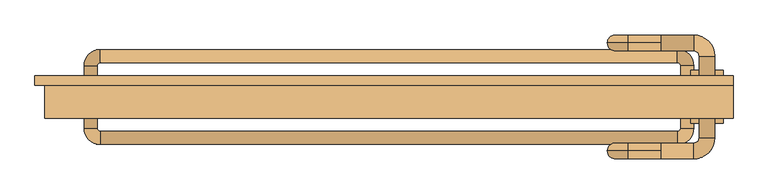
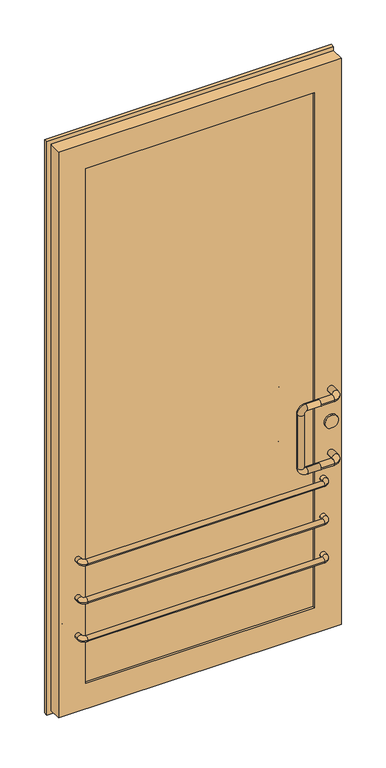
"""IFC4 building model written with IfcOpenShell, lengths in millimetres: door geometry."""

from ifc_helpers import new_model, si_unit, point, frame, frame_2d, origin, place, context, project, spatial, polyline, circle_curve, ellipse_curve, trimmed, segment, composite_curve, outline, extrude, faceted_brep, source, transform, mapped, element, save
from ifc_brep_helpers import cylinder_surface, revolved_surface, advanced_brep


def door_71609f88(model_context):
    return source(origin(), model_context, "Body", "SolidModel", [
        faceted_brep([(-100.0, 47.5, 160.0), (-951.3125, 47.5, 160.0), (-951.3125, -17.5, 160.0), (-100.0, -17.5, 160.0), (-1066.3125, 47.5, 45.0), (0.0, 47.5, 45.0), (0.0, 32.5, 45.0), (-1066.3125, 32.5, 45.0), (0.0, -17.5, 60.0), (-1051.3125, -17.5, 60.0), (-1051.3125, 32.5, 60.0), (0.0, 32.5, 60.0), (-951.3125, 47.5, 2183.8125), (-951.3125, -17.5, 2183.8125), (-1066.3125, 32.5, 2298.8125), (-1066.3125, 47.5, 2298.8125), (-1051.3125, -17.5, 2283.8125), (-1051.3125, 32.5, 2283.8125), (-100.0, 47.5, 2183.8125), (-100.0, -17.5, 2183.8125), (0.0, 32.5, 2298.8125), (0.0, 47.5, 2298.8125), (0.0, -17.5, 2283.8125), (0.0, 32.5, 2283.8125)], [[[0, 1, 2, 3]], [[4, 5, 6, 7]], [[8, 9, 10, 11]], [[1, 12, 13, 2]], [[7, 14, 15, 4]], [[9, 16, 17, 10]], [[12, 18, 19, 13]], [[14, 20, 21, 15]], [[16, 22, 23, 17]], [[3, 19, 18, 0]], [[15, 21, 5, 4], [0, 18, 12, 1]], [[10, 17, 23, 20, 14, 7, 6, 11]], [[11, 6, 5, 21, 20, 23, 22, 8]], [[8, 22, 16, 9], [2, 13, 19, 3]]]),
        advanced_brep(
        [(-60.0, -32.5, 360.0), (-60.0, 62.5, 360.0), (-80.0, 62.5, 360.0), (-80.0, -32.5, 360.0), (-85.0, 87.5, 360.0), (-85.0, 67.5, 360.0), (-966.3125, 87.5, 360.0), (-966.3125, 67.5, 360.0), (-991.3125, 62.5, 360.0), (-971.3125, 62.5, 360.0), (-991.3125, -32.5, 360.0), (-971.3125, -32.5, 360.0), (-966.3125, -57.5, 360.0), (-966.3125, -37.5, 360.0), (-85.0, -57.5, 360.0), (-85.0, -37.5, 360.0)],
        [
            (0, 1),
            (1, 2, circle_curve(frame((-70.0, 62.5, 360.0), z_axis=(0.0, -1.0, 0.0), x_axis=(1.0, 0.0, 0.0)), 10.0)),
            (2, 3),
            (3, 0, circle_curve(frame((-70.0, -32.5, 360.0), z_axis=(0.0, 1.0, 0.0), x_axis=(1.0, 0.0, 0.0)), 10.0)),
            (2, 1, circle_curve(frame((-70.0, 62.5, 360.0), z_axis=(0.0, -1.0, 0.0), x_axis=(1.0, 0.0, 0.0)), 10.0)),
            (0, 3, circle_curve(frame((-70.0, -32.5, 360.0), z_axis=(0.0, 1.0, 0.0), x_axis=(1.0, 0.0, 0.0)), 10.0)),
            (4, 5, circle_curve(frame((-85.0, 77.5, 360.0), z_axis=(1.0, 0.0, 0.0), x_axis=(0.0, 1.0, 0.0)), 10.0)),
            (5, 2, circle_curve(frame((-85.0, 62.5, 360.0), z_axis=(0.0, 0.0, -1.0), x_axis=(1.0, 0.0, 0.0)), 5.0)),
            (1, 4, circle_curve(frame((-85.0, 62.5, 360.0), z_axis=(0.0, 0.0, 1.0), x_axis=(1.0, 0.0, 0.0)), 25.0)),
            (5, 4, circle_curve(frame((-85.0, 77.5, 360.0), z_axis=(1.0, 0.0, 0.0), x_axis=(0.0, 1.0, 0.0)), 10.0)),
            (4, 6),
            (6, 7, circle_curve(frame((-966.3125, 77.5, 360.0), z_axis=(1.0, 0.0, 0.0), x_axis=(0.0, 1.0, 0.0)), 10.0)),
            (7, 5),
            (7, 6, circle_curve(frame((-966.3125, 77.5, 360.0), z_axis=(1.0, 0.0, 0.0), x_axis=(0.0, 1.0, 0.0)), 10.0)),
            (8, 9, circle_curve(frame((-981.3125, 62.5, 360.0), z_axis=(0.0, 1.0, 0.0), x_axis=(-1.0, 0.0, 0.0)), 10.0)),
            (9, 7, circle_curve(frame((-966.3125, 62.5, 360.0), z_axis=(0.0, 0.0, -1.0), x_axis=(0.0, 1.0, 0.0)), 5.0)),
            (6, 8, circle_curve(frame((-966.3125, 62.5, 360.0), z_axis=(0.0, 0.0, 1.0), x_axis=(0.0, 1.0, 0.0)), 25.0)),
            (9, 8, circle_curve(frame((-981.3125, 62.5, 360.0), z_axis=(0.0, 1.0, 0.0), x_axis=(-1.0, 0.0, 0.0)), 10.0)),
            (8, 10),
            (10, 11, circle_curve(frame((-981.3125, -32.5, 360.0), z_axis=(0.0, 1.0, 0.0), x_axis=(-1.0, 0.0, 0.0)), 10.0)),
            (11, 9),
            (11, 10, circle_curve(frame((-981.3125, -32.5, 360.0), z_axis=(0.0, 1.0, 0.0), x_axis=(-1.0, 0.0, 0.0)), 10.0)),
            (12, 13, circle_curve(frame((-966.3125, -47.5, 360.0), z_axis=(-1.0, 0.0, 0.0), x_axis=(0.0, -1.0, 0.0)), 10.0)),
            (13, 11, circle_curve(frame((-966.3125, -32.5, 360.0), z_axis=(0.0, 0.0, -1.0), x_axis=(-1.0, 0.0, 0.0)), 5.0)),
            (10, 12, circle_curve(frame((-966.3125, -32.5, 360.0), z_axis=(0.0, 0.0, 1.0), x_axis=(-1.0, 0.0, 0.0)), 25.0)),
            (13, 12, circle_curve(frame((-966.3125, -47.5, 360.0), z_axis=(-1.0, 0.0, 0.0), x_axis=(0.0, -1.0, 0.0)), 10.0)),
            (12, 14),
            (14, 15, circle_curve(frame((-85.0, -47.5, 360.0), z_axis=(-1.0, 0.0, 0.0), x_axis=(0.0, -1.0, 0.0)), 10.0)),
            (15, 13),
            (15, 14, circle_curve(frame((-85.0, -47.5, 360.0), z_axis=(-1.0, 0.0, 0.0), x_axis=(0.0, -1.0, 0.0)), 10.0)),
            (3, 15, circle_curve(frame((-85.0, -32.5, 360.0), z_axis=(0.0, 0.0, -1.0), x_axis=(0.0, -1.0, 0.0)), 5.0)),
            (14, 0, circle_curve(frame((-85.0, -32.5, 360.0), z_axis=(0.0, 0.0, 1.0), x_axis=(0.0, -1.0, 0.0)), 25.0)),
        ],
        [
            cylinder_surface(frame((-70.0, -32.5, 360.0), z_axis=(0.0, -1.0, 0.0), x_axis=(1.0, 0.0, 0.0)), 10.0),
            revolved_surface(trimmed(ellipse_curve(frame((-70.0, 62.5, 360.0), z_axis=(0.0, 1.0, 0.0), x_axis=(1.0, 0.0, 0.0)), 10.0, 10.0), [point((-80.0, 62.5, 360.0))], [point((-60.0, 62.5, 360.0))], True, "CARTESIAN"), (-85.0, 62.5, 360.0), (0.0, 0.0, -1.0)),
            revolved_surface(trimmed(ellipse_curve(frame((-70.0, 62.5, 360.0), z_axis=(0.0, 1.0, 0.0), x_axis=(1.0, 0.0, 0.0)), 10.0, 10.0), [point((-60.0, 62.5, 360.0))], [point((-80.0, 62.5, 360.0))], True, "CARTESIAN"), (-85.0, 62.5, 360.0), (0.0, 0.0, -1.0)),
            cylinder_surface(frame((-85.0, 77.5, 360.0), z_axis=(1.0, 0.0, 0.0), x_axis=(0.0, 1.0, 0.0)), 10.0),
            revolved_surface(trimmed(ellipse_curve(frame((-966.3125, 77.5, 360.0), z_axis=(-1.0, 0.0, 0.0), x_axis=(0.0, 1.0, 0.0)), 10.0, 10.0), [point((-966.3125, 67.5, 360.0))], [point((-966.3125, 87.5, 360.0))], True, "CARTESIAN"), (-966.3125, 62.5, 360.0), (0.0, 0.0, -1.0)),
            revolved_surface(trimmed(ellipse_curve(frame((-966.3125, 77.5, 360.0), z_axis=(-1.0, 0.0, 0.0), x_axis=(0.0, 1.0, 0.0)), 10.0, 10.0), [point((-966.3125, 87.5, 360.0))], [point((-966.3125, 67.5, 360.0))], True, "CARTESIAN"), (-966.3125, 62.5, 360.0), (0.0, 0.0, -1.0)),
            cylinder_surface(frame((-981.3125, 62.5, 360.0), z_axis=(0.0, 1.0, 0.0), x_axis=(-1.0, 0.0, 0.0)), 10.0),
            revolved_surface(trimmed(ellipse_curve(frame((-981.3125, -32.5, 360.0), z_axis=(0.0, -1.0, 0.0), x_axis=(-1.0, 0.0, 0.0)), 10.0, 10.0), [point((-971.3125, -32.5, 360.0))], [point((-991.3125, -32.5, 360.0))], True, "CARTESIAN"), (-966.3125, -32.5, 360.0), (0.0, 0.0, -1.0)),
            revolved_surface(trimmed(ellipse_curve(frame((-981.3125, -32.5, 360.0), z_axis=(0.0, -1.0, 0.0), x_axis=(-1.0, 0.0, 0.0)), 10.0, 10.0), [point((-991.3125, -32.5, 360.0))], [point((-971.3125, -32.5, 360.0))], True, "CARTESIAN"), (-966.3125, -32.5, 360.0), (0.0, 0.0, -1.0)),
            cylinder_surface(frame((-966.3125, -47.5, 360.0), z_axis=(-1.0, 0.0, 0.0), x_axis=(0.0, -1.0, 0.0)), 10.0),
            revolved_surface(trimmed(ellipse_curve(frame((-85.0, -47.5, 360.0), z_axis=(1.0, 0.0, 0.0), x_axis=(0.0, -1.0, 0.0)), 10.0, 10.0), [point((-85.0, -37.5, 360.0))], [point((-85.0, -57.5, 360.0))], True, "CARTESIAN"), (-85.0, -32.5, 360.0), (0.0, 0.0, -1.0)),
            revolved_surface(trimmed(ellipse_curve(frame((-85.0, -47.5, 360.0), z_axis=(1.0, 0.0, 0.0), x_axis=(0.0, -1.0, 0.0)), 10.0, 10.0), [point((-85.0, -57.5, 360.0))], [point((-85.0, -37.5, 360.0))], True, "CARTESIAN"), (-85.0, -32.5, 360.0), (0.0, 0.0, -1.0)),
        ],
        [
            (0, [[1, 2, 3, 4]]),
            (0, [[-3, 5, -1, 6]]),
            (1, [[7, 8, -2, 9]]),
            (2, [[10, -9, -5, -8]]),
            (3, [[11, 12, 13, -7]]),
            (3, [[-13, 14, -11, -10]]),
            (4, [[15, 16, -12, 17]]),
            (5, [[18, -17, -14, -16]]),
            (6, [[19, 20, 21, -15]]),
            (6, [[-21, 22, -19, -18]]),
            (7, [[23, 24, -20, 25]]),
            (8, [[26, -25, -22, -24]]),
            (9, [[27, 28, 29, -23]]),
            (9, [[-29, 30, -27, -26]]),
            (10, [[-4, 31, -28, 32]]),
            (11, [[-6, -32, -30, -31]]),
        ],
    ),
        advanced_brep(
        [(-60.0, -32.5, 510.0), (-60.0, 62.5, 510.0), (-80.0, 62.5, 510.0), (-80.0, -32.5, 510.0), (-85.0, 87.5, 510.0), (-85.0, 67.5, 510.0), (-966.3125, 87.5, 510.0), (-966.3125, 67.5, 510.0), (-991.3125, 62.5, 510.0), (-971.3125, 62.5, 510.0), (-991.3125, -32.5, 510.0), (-971.3125, -32.5, 510.0), (-966.3125, -57.5, 510.0), (-966.3125, -37.5, 510.0), (-85.0, -57.5, 510.0), (-85.0, -37.5, 510.0)],
        [
            (0, 1),
            (1, 2, circle_curve(frame((-70.0, 62.5, 510.0), z_axis=(0.0, -1.0, 0.0), x_axis=(1.0, 0.0, 0.0)), 10.0)),
            (2, 3),
            (3, 0, circle_curve(frame((-70.0, -32.5, 510.0), z_axis=(0.0, 1.0, 0.0), x_axis=(1.0, 0.0, 0.0)), 10.0)),
            (2, 1, circle_curve(frame((-70.0, 62.5, 510.0), z_axis=(0.0, -1.0, 0.0), x_axis=(1.0, 0.0, 0.0)), 10.0)),
            (0, 3, circle_curve(frame((-70.0, -32.5, 510.0), z_axis=(0.0, 1.0, 0.0), x_axis=(1.0, 0.0, 0.0)), 10.0)),
            (4, 5, circle_curve(frame((-85.0, 77.5, 510.0), z_axis=(1.0, 0.0, 0.0), x_axis=(0.0, 1.0, 0.0)), 10.0)),
            (5, 2, circle_curve(frame((-85.0, 62.5, 510.0), z_axis=(0.0, 0.0, -1.0), x_axis=(1.0, 0.0, 0.0)), 5.0)),
            (1, 4, circle_curve(frame((-85.0, 62.5, 510.0), z_axis=(0.0, 0.0, 1.0), x_axis=(1.0, 0.0, 0.0)), 25.0)),
            (5, 4, circle_curve(frame((-85.0, 77.5, 510.0), z_axis=(1.0, 0.0, 0.0), x_axis=(0.0, 1.0, 0.0)), 10.0)),
            (4, 6),
            (6, 7, circle_curve(frame((-966.3125, 77.5, 510.0), z_axis=(1.0, 0.0, 0.0), x_axis=(0.0, 1.0, 0.0)), 10.0)),
            (7, 5),
            (7, 6, circle_curve(frame((-966.3125, 77.5, 510.0), z_axis=(1.0, 0.0, 0.0), x_axis=(0.0, 1.0, 0.0)), 10.0)),
            (8, 9, circle_curve(frame((-981.3125, 62.5, 510.0), z_axis=(0.0, 1.0, 0.0), x_axis=(-1.0, 0.0, 0.0)), 10.0)),
            (9, 7, circle_curve(frame((-966.3125, 62.5, 510.0), z_axis=(0.0, 0.0, -1.0), x_axis=(0.0, 1.0, 0.0)), 5.0)),
            (6, 8, circle_curve(frame((-966.3125, 62.5, 510.0), z_axis=(0.0, 0.0, 1.0), x_axis=(0.0, 1.0, 0.0)), 25.0)),
            (9, 8, circle_curve(frame((-981.3125, 62.5, 510.0), z_axis=(0.0, 1.0, 0.0), x_axis=(-1.0, 0.0, 0.0)), 10.0)),
            (8, 10),
            (10, 11, circle_curve(frame((-981.3125, -32.5, 510.0), z_axis=(0.0, 1.0, 0.0), x_axis=(-1.0, 0.0, 0.0)), 10.0)),
            (11, 9),
            (11, 10, circle_curve(frame((-981.3125, -32.5, 510.0), z_axis=(0.0, 1.0, 0.0), x_axis=(-1.0, 0.0, 0.0)), 10.0)),
            (12, 13, circle_curve(frame((-966.3125, -47.5, 510.0), z_axis=(-1.0, 0.0, 0.0), x_axis=(0.0, -1.0, 0.0)), 10.0)),
            (13, 11, circle_curve(frame((-966.3125, -32.5, 510.0), z_axis=(0.0, 0.0, -1.0), x_axis=(-1.0, 1.264444445123043e-12, 0.0)), 5.0)),
            (10, 12, circle_curve(frame((-966.3125, -32.5, 510.0), z_axis=(0.0, 0.0, 1.0), x_axis=(-1.0, 1.264444445123043e-12, 0.0)), 25.0)),
            (13, 12, circle_curve(frame((-966.3125, -47.5, 510.0), z_axis=(-1.0, 0.0, 0.0), x_axis=(0.0, -1.0, 0.0)), 10.0)),
            (12, 14),
            (14, 15, circle_curve(frame((-85.0, -47.5, 510.0), z_axis=(-1.0, 0.0, 0.0), x_axis=(0.0, -1.0, 0.0)), 10.0)),
            (15, 13),
            (15, 14, circle_curve(frame((-85.0, -47.5, 510.0), z_axis=(-1.0, 0.0, 0.0), x_axis=(0.0, -1.0, 0.0)), 10.0)),
            (3, 15, circle_curve(frame((-85.0, -32.5, 510.0), z_axis=(0.0, 0.0, -1.0), x_axis=(0.0, -1.0, 0.0)), 5.0)),
            (14, 0, circle_curve(frame((-85.0, -32.5, 510.0), z_axis=(0.0, 0.0, 1.0), x_axis=(0.0, -1.0, 0.0)), 25.0)),
        ],
        [
            cylinder_surface(frame((-70.0, -32.5, 510.0), z_axis=(0.0, -1.0, 0.0), x_axis=(1.0, 0.0, 0.0)), 10.0),
            revolved_surface(trimmed(ellipse_curve(frame((-70.0, 62.5, 510.0), z_axis=(0.0, 1.0, 0.0), x_axis=(1.0, 0.0, 0.0)), 10.0, 10.0), [point((-80.0, 62.5, 510.0))], [point((-60.0, 62.5, 510.0))], True, "CARTESIAN"), (-85.0, 62.5, 510.0), (0.0, 0.0, -1.0)),
            revolved_surface(trimmed(ellipse_curve(frame((-70.0, 62.5, 510.0), z_axis=(0.0, 1.0, 0.0), x_axis=(1.0, 0.0, 0.0)), 10.0, 10.0), [point((-60.0, 62.5, 510.0))], [point((-80.0, 62.5, 510.0))], True, "CARTESIAN"), (-85.0, 62.5, 510.0), (0.0, 0.0, -1.0)),
            cylinder_surface(frame((-85.0, 77.5, 510.0), z_axis=(1.0, 0.0, 0.0), x_axis=(0.0, 1.0, 0.0)), 10.0),
            revolved_surface(trimmed(ellipse_curve(frame((-966.3125, 77.5, 510.0), z_axis=(-1.0, 0.0, 0.0), x_axis=(0.0, 1.0, 0.0)), 10.0, 10.0), [point((-966.3125, 67.5, 510.0))], [point((-966.3125, 87.5, 510.0))], True, "CARTESIAN"), (-966.3125, 62.5, 510.0), (0.0, 0.0, -1.0)),
            revolved_surface(trimmed(ellipse_curve(frame((-966.3125, 77.5, 510.0), z_axis=(-1.0, 0.0, 0.0), x_axis=(0.0, 1.0, 0.0)), 10.0, 10.0), [point((-966.3125, 87.5, 510.0))], [point((-966.3125, 67.5, 510.0))], True, "CARTESIAN"), (-966.3125, 62.5, 510.0), (0.0, 0.0, -1.0)),
            cylinder_surface(frame((-981.3125, 62.5, 510.0), z_axis=(0.0, 1.0, 0.0), x_axis=(-1.0, 0.0, 0.0)), 10.0),
            revolved_surface(trimmed(ellipse_curve(frame((-981.3125, -32.5, 510.0), z_axis=(-1.2644444451230432e-12, -1.0, 0.0), x_axis=(-1.0, 1.2644444451230432e-12, 0.0)), 10.0, 10.0), [point((-971.3125, -32.5, 510.0))], [point((-991.3125, -32.5, 510.0))], True, "CARTESIAN"), (-966.3125, -32.5, 510.0), (0.0, 0.0, -1.0)),
            revolved_surface(trimmed(ellipse_curve(frame((-981.3125, -32.5, 510.0), z_axis=(-1.2644444451230432e-12, -1.0, 0.0), x_axis=(-1.0, 1.2644444451230432e-12, 0.0)), 10.0, 10.0), [point((-991.3125, -32.5, 510.0))], [point((-971.3125, -32.5, 510.0))], True, "CARTESIAN"), (-966.3125, -32.5, 510.0), (0.0, 0.0, -1.0)),
            cylinder_surface(frame((-966.3125, -47.5, 510.0), z_axis=(-1.0, 0.0, 0.0), x_axis=(0.0, -1.0, 0.0)), 10.0),
            revolved_surface(trimmed(ellipse_curve(frame((-85.0, -47.5, 510.0), z_axis=(1.0, 0.0, 0.0), x_axis=(0.0, -1.0, 0.0)), 10.0, 10.0), [point((-85.0, -37.5, 510.0))], [point((-85.0, -57.5, 510.0))], True, "CARTESIAN"), (-85.0, -32.5, 510.0), (0.0, 0.0, -1.0)),
            revolved_surface(trimmed(ellipse_curve(frame((-85.0, -47.5, 510.0), z_axis=(1.0, 0.0, 0.0), x_axis=(0.0, -1.0, 0.0)), 10.0, 10.0), [point((-85.0, -57.5, 510.0))], [point((-85.0, -37.5, 510.0))], True, "CARTESIAN"), (-85.0, -32.5, 510.0), (0.0, 0.0, -1.0)),
        ],
        [
            (0, [[1, 2, 3, 4]]),
            (0, [[-3, 5, -1, 6]]),
            (1, [[7, 8, -2, 9]]),
            (2, [[10, -9, -5, -8]]),
            (3, [[11, 12, 13, -7]]),
            (3, [[-13, 14, -11, -10]]),
            (4, [[15, 16, -12, 17]]),
            (5, [[18, -17, -14, -16]]),
            (6, [[19, 20, 21, -15]]),
            (6, [[-21, 22, -19, -18]]),
            (7, [[23, 24, -20, 25]]),
            (8, [[26, -25, -22, -24]]),
            (9, [[27, 28, 29, -23]]),
            (9, [[-29, 30, -27, -26]]),
            (10, [[-4, 31, -28, 32]]),
            (11, [[-6, -32, -30, -31]]),
        ],
    ),
        advanced_brep(
        [(-60.0, -32.5, 660.0), (-60.0, 62.5, 660.0), (-80.0, 62.5, 660.0), (-80.0, -32.5, 660.0), (-85.0, 87.5, 660.0), (-85.0, 67.5, 660.0), (-966.3125, 87.5, 660.0), (-966.3125, 67.5, 660.0), (-991.3125, 62.5, 660.0), (-971.3125, 62.5, 660.0), (-991.3125, -32.5, 660.0), (-971.3125, -32.5, 660.0), (-966.3125, -57.5, 660.0), (-966.3125, -37.5, 660.0), (-85.0, -57.5, 660.0), (-85.0, -37.5, 660.0)],
        [
            (0, 1),
            (1, 2, circle_curve(frame((-70.0, 62.5, 660.0), z_axis=(0.0, -1.0, 0.0), x_axis=(1.0, 0.0, 0.0)), 10.0)),
            (2, 3),
            (3, 0, circle_curve(frame((-70.0, -32.5, 660.0), z_axis=(0.0, 1.0, 0.0), x_axis=(1.0, 0.0, 0.0)), 10.0)),
            (2, 1, circle_curve(frame((-70.0, 62.5, 660.0), z_axis=(0.0, -1.0, 0.0), x_axis=(1.0, 0.0, 0.0)), 10.0)),
            (0, 3, circle_curve(frame((-70.0, -32.5, 660.0), z_axis=(0.0, 1.0, 0.0), x_axis=(1.0, 0.0, 0.0)), 10.0)),
            (4, 5, circle_curve(frame((-85.0, 77.5, 660.0), z_axis=(1.0, 0.0, 0.0), x_axis=(0.0, 1.0, 0.0)), 10.0)),
            (5, 2, circle_curve(frame((-85.0, 62.5, 660.0), z_axis=(0.0, 0.0, -1.0), x_axis=(1.0, 0.0, 0.0)), 5.0)),
            (1, 4, circle_curve(frame((-85.0, 62.5, 660.0), z_axis=(0.0, 0.0, 1.0), x_axis=(1.0, 0.0, 0.0)), 25.0)),
            (5, 4, circle_curve(frame((-85.0, 77.5, 660.0), z_axis=(1.0, 0.0, 0.0), x_axis=(0.0, 1.0, 0.0)), 10.0)),
            (4, 6),
            (6, 7, circle_curve(frame((-966.3125, 77.5, 660.0), z_axis=(1.0, 0.0, 0.0), x_axis=(0.0, 1.0, 0.0)), 10.0)),
            (7, 5),
            (7, 6, circle_curve(frame((-966.3125, 77.5, 660.0), z_axis=(1.0, 0.0, 0.0), x_axis=(0.0, 1.0, 0.0)), 10.0)),
            (8, 9, circle_curve(frame((-981.3125, 62.5, 660.0), z_axis=(0.0, 1.0, 0.0), x_axis=(-1.0, 0.0, 0.0)), 10.0)),
            (9, 7, circle_curve(frame((-966.3125, 62.5, 660.0), z_axis=(0.0, 0.0, -1.0), x_axis=(0.0, 1.0, 0.0)), 5.0)),
            (6, 8, circle_curve(frame((-966.3125, 62.5, 660.0), z_axis=(0.0, 0.0, 1.0), x_axis=(0.0, 1.0, 0.0)), 25.0)),
            (9, 8, circle_curve(frame((-981.3125, 62.5, 660.0), z_axis=(0.0, 1.0, 0.0), x_axis=(-1.0, 0.0, 0.0)), 10.0)),
            (8, 10),
            (10, 11, circle_curve(frame((-981.3125, -32.5, 660.0), z_axis=(0.0, 1.0, 0.0), x_axis=(-1.0, 0.0, 0.0)), 10.0)),
            (11, 9),
            (11, 10, circle_curve(frame((-981.3125, -32.5, 660.0), z_axis=(0.0, 1.0, 0.0), x_axis=(-1.0, 0.0, 0.0)), 10.0)),
            (12, 13, circle_curve(frame((-966.3125, -47.5, 660.0), z_axis=(-1.0, 0.0, 0.0), x_axis=(0.0, -1.0, 0.0)), 10.0)),
            (13, 11, circle_curve(frame((-966.3125, -32.5, 660.0), z_axis=(0.0, 0.0, -1.0), x_axis=(-1.0, 1.5353388631315812e-12, 0.0)), 5.0)),
            (10, 12, circle_curve(frame((-966.3125, -32.5, 660.0), z_axis=(0.0, 0.0, 1.0), x_axis=(-1.0, 1.5353388631315812e-12, 0.0)), 25.0)),
            (13, 12, circle_curve(frame((-966.3125, -47.5, 660.0), z_axis=(-1.0, 0.0, 0.0), x_axis=(0.0, -1.0, 0.0)), 10.0)),
            (12, 14),
            (14, 15, circle_curve(frame((-85.0, -47.5, 660.0), z_axis=(-1.0, 0.0, 0.0), x_axis=(0.0, -1.0, 0.0)), 10.0)),
            (15, 13),
            (15, 14, circle_curve(frame((-85.0, -47.5, 660.0), z_axis=(-1.0, 0.0, 0.0), x_axis=(0.0, -1.0, 0.0)), 10.0)),
            (3, 15, circle_curve(frame((-85.0, -32.5, 660.0), z_axis=(0.0, 0.0, -1.0), x_axis=(0.0, -1.0, 0.0)), 5.0)),
            (14, 0, circle_curve(frame((-85.0, -32.5, 660.0), z_axis=(0.0, 0.0, 1.0), x_axis=(0.0, -1.0, 0.0)), 25.0)),
        ],
        [
            cylinder_surface(frame((-70.0, -32.5, 660.0), z_axis=(0.0, -1.0, 0.0), x_axis=(1.0, 0.0, 0.0)), 10.0),
            revolved_surface(trimmed(ellipse_curve(frame((-70.0, 62.5, 660.0), z_axis=(0.0, 1.0, 0.0), x_axis=(1.0, 0.0, 0.0)), 10.0, 10.0), [point((-80.0, 62.5, 660.0))], [point((-60.0, 62.5, 660.0))], True, "CARTESIAN"), (-85.0, 62.5, 660.0), (0.0, 0.0, -1.0)),
            revolved_surface(trimmed(ellipse_curve(frame((-70.0, 62.5, 660.0), z_axis=(0.0, 1.0, 0.0), x_axis=(1.0, 0.0, 0.0)), 10.0, 10.0), [point((-60.0, 62.5, 660.0))], [point((-80.0, 62.5, 660.0))], True, "CARTESIAN"), (-85.0, 62.5, 660.0), (0.0, 0.0, -1.0)),
            cylinder_surface(frame((-85.0, 77.5, 660.0), z_axis=(1.0, 0.0, 0.0), x_axis=(0.0, 1.0, 0.0)), 10.0),
            revolved_surface(trimmed(ellipse_curve(frame((-966.3125, 77.5, 660.0), z_axis=(-1.0, 0.0, 0.0), x_axis=(0.0, 1.0, 0.0)), 10.0, 10.0), [point((-966.3125, 67.5, 660.0))], [point((-966.3125, 87.5, 660.0))], True, "CARTESIAN"), (-966.3125, 62.5, 660.0), (0.0, 0.0, -1.0)),
            revolved_surface(trimmed(ellipse_curve(frame((-966.3125, 77.5, 660.0), z_axis=(-1.0, 0.0, 0.0), x_axis=(0.0, 1.0, 0.0)), 10.0, 10.0), [point((-966.3125, 87.5, 660.0))], [point((-966.3125, 67.5, 660.0))], True, "CARTESIAN"), (-966.3125, 62.5, 660.0), (0.0, 0.0, -1.0)),
            cylinder_surface(frame((-981.3125, 62.5, 660.0), z_axis=(0.0, 1.0, 0.0), x_axis=(-1.0, 0.0, 0.0)), 10.0),
            revolved_surface(trimmed(ellipse_curve(frame((-981.3125, -32.5, 660.0), z_axis=(-1.5353388631315812e-12, -1.0, 0.0), x_axis=(-1.0, 1.5353388631315812e-12, 0.0)), 10.0, 10.0), [point((-971.3125, -32.5, 660.0))], [point((-991.3125, -32.5, 660.0))], True, "CARTESIAN"), (-966.3125, -32.5, 660.0), (0.0, 0.0, -1.0)),
            revolved_surface(trimmed(ellipse_curve(frame((-981.3125, -32.5, 660.0), z_axis=(-1.5353388631315812e-12, -1.0, 0.0), x_axis=(-1.0, 1.5353388631315812e-12, 0.0)), 10.0, 10.0), [point((-991.3125, -32.5, 660.0))], [point((-971.3125, -32.5, 660.0))], True, "CARTESIAN"), (-966.3125, -32.5, 660.0), (0.0, 0.0, -1.0)),
            cylinder_surface(frame((-966.3125, -47.5, 660.0), z_axis=(-1.0, 0.0, 0.0), x_axis=(0.0, -1.0, 0.0)), 10.0),
            revolved_surface(trimmed(ellipse_curve(frame((-85.0, -47.5, 660.0), z_axis=(1.0, 0.0, 0.0), x_axis=(0.0, -1.0, 0.0)), 10.0, 10.0), [point((-85.0, -37.5, 660.0))], [point((-85.0, -57.5, 660.0))], True, "CARTESIAN"), (-85.0, -32.5, 660.0), (0.0, 0.0, -1.0)),
            revolved_surface(trimmed(ellipse_curve(frame((-85.0, -47.5, 660.0), z_axis=(1.0, 0.0, 0.0), x_axis=(0.0, -1.0, 0.0)), 10.0, 10.0), [point((-85.0, -57.5, 660.0))], [point((-85.0, -37.5, 660.0))], True, "CARTESIAN"), (-85.0, -32.5, 660.0), (0.0, 0.0, -1.0)),
        ],
        [
            (0, [[1, 2, 3, 4]]),
            (0, [[-3, 5, -1, 6]]),
            (1, [[7, 8, -2, 9]]),
            (2, [[10, -9, -5, -8]]),
            (3, [[11, 12, 13, -7]]),
            (3, [[-13, 14, -11, -10]]),
            (4, [[15, 16, -12, 17]]),
            (5, [[18, -17, -14, -16]]),
            (6, [[19, 20, 21, -15]]),
            (6, [[-21, 22, -19, -18]]),
            (7, [[23, 24, -20, 25]]),
            (8, [[26, -25, -22, -24]]),
            (9, [[27, 28, 29, -23]]),
            (9, [[-29, 30, -27, -26]]),
            (10, [[-4, 31, -28, 32]]),
            (11, [[-6, -32, -30, -31]]),
        ],
    ),
        extrude(outline(polyline([(-100.0, 24.5), (-100.0, -9.5), (-951.3125, -9.5), (-951.3125, 24.5), (-100.0, 24.5)])), frame((0.0, 0.0, 160.0), z_axis=(0.0, 0.0, 1.0), x_axis=(1.0, 0.0, 0.0)), (0.0, 0.0, 1.0), 2023.8125),
        advanced_brep(
        [(-110.0, 109.5, 1000.0), (-110.0, 97.5, 1012.0), (-110.0, 85.5, 1000.0), (-60.0, 85.5, 1000.0), (-60.0, 109.5, 1000.0), (-110.0, 97.5, 988.0), (-52.0, 77.5, 1000.0), (-28.0, 77.5, 1000.0), (-52.0, -47.5, 1000.0), (-28.0, -47.5, 1000.0), (-60.0, -55.5, 1000.0), (-60.0, -79.5, 1000.0), (-110.0, -55.5, 1000.0), (-110.0, -67.5, 1012.0), (-110.0, -79.5, 1000.0), (-110.0, -67.5, 988.0), (-160.0, 97.5, 1012.0), (-160.0, 97.5, 988.0), (-192.0, 97.5, 980.0), (-168.0, 97.5, 980.0), (-192.0, 97.5, 770.0), (-168.0, 97.5, 770.0), (-160.0, 97.5, 738.0), (-160.0, 97.5, 762.0), (-110.0, 97.5, 738.0), (-110.0, 85.5, 750.0), (-110.0, 97.5, 762.0), (-110.0, 109.5, 750.0), (-60.0, 85.5, 750.0), (-60.0, 109.5, 750.0), (-52.0, 77.5, 750.0), (-28.0, 77.5, 750.0), (-52.0, -47.5, 750.0), (-28.0, -47.5, 750.0), (-60.0, -55.5, 750.0), (-60.0, -79.5, 750.0), (-110.0, -55.5, 750.0), (-110.0, -67.5, 762.0), (-110.0, -79.5, 750.0), (-110.0, -67.5, 738.0), (-160.0, -67.5, 1012.0), (-160.0, -67.5, 988.0), (-192.0, -67.5, 980.0), (-168.0, -67.5, 980.0), (-192.0, -67.5, 770.0), (-168.0, -67.5, 770.0), (-160.0, -67.5, 738.0), (-160.0, -67.5, 762.0)],
        [
            (0, 1, circle_curve(frame((-110.0, 97.5, 1000.0), z_axis=(1.0, 0.0, 0.0), x_axis=(0.0, -1.0, 0.0)), 12.0)),
            (1, 2, circle_curve(frame((-110.0, 97.5, 1000.0), z_axis=(1.0, 0.0, 0.0), x_axis=(0.0, -1.0, 0.0)), 12.0)),
            (2, 3),
            (3, 4, circle_curve(frame((-60.0, 97.5, 1000.0), z_axis=(-1.0, 0.0, 0.0), x_axis=(0.0, -1.0, 0.0)), 12.0)),
            (4, 0),
            (4, 3, circle_curve(frame((-60.0, 97.5, 1000.0), z_axis=(-1.0, 0.0, 0.0), x_axis=(0.0, -1.0, 0.0)), 12.0)),
            (2, 5, circle_curve(frame((-110.0, 97.5, 1000.0), z_axis=(1.0, 0.0, 0.0), x_axis=(0.0, -1.0, 0.0)), 12.0)),
            (5, 0, circle_curve(frame((-110.0, 97.5, 1000.0), z_axis=(1.0, 0.0, 0.0), x_axis=(0.0, -1.0, 0.0)), 12.0)),
            (3, 6, circle_curve(frame((-60.0, 77.5, 1000.0), z_axis=(0.0, 0.0, -1.0), x_axis=(0.0, 1.0, 0.0)), 8.0)),
            (6, 7, circle_curve(frame((-40.0, 77.5, 1000.0), z_axis=(0.0, 1.0, 0.0), x_axis=(-1.0, 0.0, 0.0)), 12.0)),
            (7, 4, circle_curve(frame((-60.0, 77.5, 1000.0), z_axis=(0.0, 0.0, 1.0), x_axis=(0.0, 1.0, 0.0)), 32.0)),
            (7, 6, circle_curve(frame((-40.0, 77.5, 1000.0), z_axis=(0.0, 1.0, 0.0), x_axis=(-1.0, 0.0, 0.0)), 12.0)),
            (6, 8),
            (8, 9, circle_curve(frame((-40.0, -47.5, 1000.0), z_axis=(0.0, 1.0, 0.0), x_axis=(-1.0, 0.0, 0.0)), 12.0)),
            (9, 7),
            (9, 8, circle_curve(frame((-40.0, -47.5, 1000.0), z_axis=(0.0, 1.0, 0.0), x_axis=(-1.0, 0.0, 0.0)), 12.0)),
            (8, 10, circle_curve(frame((-60.0, -47.5, 1000.0), z_axis=(0.0, 0.0, -1.0), x_axis=(1.0, 0.0, 0.0)), 8.0)),
            (10, 11, circle_curve(frame((-60.0, -67.5, 1000.0), z_axis=(1.0, 0.0, 0.0), x_axis=(0.0, 1.0, 0.0)), 12.0)),
            (11, 9, circle_curve(frame((-60.0, -47.5, 1000.0), z_axis=(0.0, 0.0, 1.0), x_axis=(1.0, 0.0, 0.0)), 32.0)),
            (11, 10, circle_curve(frame((-60.0, -67.5, 1000.0), z_axis=(1.0, 0.0, 0.0), x_axis=(0.0, 1.0, 0.0)), 12.0)),
            (10, 12),
            (12, 13, circle_curve(frame((-110.0, -67.5, 1000.0), z_axis=(1.0, 0.0, 0.0), x_axis=(0.0, 1.0, 0.0)), 12.0)),
            (13, 14, circle_curve(frame((-110.0, -67.5, 1000.0), z_axis=(1.0, 0.0, 0.0), x_axis=(0.0, 1.0, 0.0)), 12.0)),
            (14, 11),
            (14, 15, circle_curve(frame((-110.0, -67.5, 1000.0), z_axis=(1.0, 0.0, 0.0), x_axis=(0.0, 1.0, 0.0)), 12.0)),
            (15, 12, circle_curve(frame((-110.0, -67.5, 1000.0), z_axis=(1.0, 0.0, 0.0), x_axis=(0.0, 1.0, 0.0)), 12.0)),
            (1, 16),
            (16, 17, circle_curve(frame((-160.0, 97.5, 1000.0), z_axis=(1.0, 0.0, 0.0), x_axis=(0.0, 0.0, 1.0)), 12.0)),
            (17, 5),
            (17, 16, circle_curve(frame((-160.0, 97.5, 1000.0), z_axis=(1.0, 0.0, 0.0), x_axis=(0.0, 0.0, 1.0)), 12.0)),
            (16, 18, circle_curve(frame((-160.0, 97.5, 980.0), z_axis=(0.0, -1.0, 0.0), x_axis=(0.0, 0.0, 1.0)), 32.0)),
            (18, 19, circle_curve(frame((-180.0, 97.5, 980.0), z_axis=(0.0, 0.0, 1.0), x_axis=(-1.0, 0.0, 0.0)), 12.0)),
            (19, 17, circle_curve(frame((-160.0, 97.5, 980.0), z_axis=(0.0, 1.0, 0.0), x_axis=(0.0, 0.0, 1.0)), 8.0)),
            (19, 18, circle_curve(frame((-180.0, 97.5, 980.0), z_axis=(0.0, 0.0, 1.0), x_axis=(-1.0, 0.0, 0.0)), 12.0)),
            (18, 20),
            (20, 21, circle_curve(frame((-180.0, 97.5, 770.0), z_axis=(0.0, 0.0, 1.0), x_axis=(-1.0, 0.0, 0.0)), 12.0)),
            (21, 19),
            (21, 20, circle_curve(frame((-180.0, 97.5, 770.0), z_axis=(0.0, 0.0, 1.0), x_axis=(-1.0, 0.0, 0.0)), 12.0)),
            (20, 22, circle_curve(frame((-160.0, 97.5, 770.0), z_axis=(0.0, -1.0, 0.0), x_axis=(-1.0, 0.0, 0.0)), 32.0)),
            (22, 23, circle_curve(frame((-160.0, 97.5, 750.0), z_axis=(-1.0, 0.0, 0.0), x_axis=(0.0, 0.0, -1.0)), 12.0)),
            (23, 21, circle_curve(frame((-160.0, 97.5, 770.0), z_axis=(0.0, 1.0, 0.0), x_axis=(-1.0, 0.0, 0.0)), 8.0)),
            (23, 22, circle_curve(frame((-160.0, 97.5, 750.0), z_axis=(-1.0, 0.0, 0.0), x_axis=(0.0, 0.0, -1.0)), 12.0)),
            (22, 24),
            (24, 25, circle_curve(frame((-110.0, 97.5, 750.0), z_axis=(-1.0, 0.0, 0.0), x_axis=(0.0, 0.0, -1.0)), 12.0)),
            (25, 26, circle_curve(frame((-110.0, 97.5, 750.0), z_axis=(-1.0, 0.0, 0.0), x_axis=(0.0, 0.0, -1.0)), 12.0)),
            (26, 23),
            (26, 27, circle_curve(frame((-110.0, 97.5, 750.0), z_axis=(-1.0, 0.0, 0.0), x_axis=(0.0, 0.0, -1.0)), 12.0)),
            (27, 24, circle_curve(frame((-110.0, 97.5, 750.0), z_axis=(-1.0, 0.0, 0.0), x_axis=(0.0, 0.0, -1.0)), 12.0)),
            (25, 28),
            (28, 29, circle_curve(frame((-60.0, 97.5, 750.0), z_axis=(-1.0, 0.0, 0.0), x_axis=(0.0, -1.0, 0.0)), 12.0)),
            (29, 27),
            (29, 28, circle_curve(frame((-60.0, 97.5, 750.0), z_axis=(-1.0, 0.0, 0.0), x_axis=(0.0, -1.0, 0.0)), 12.0)),
            (28, 30, circle_curve(frame((-60.0, 77.5, 750.0), z_axis=(0.0, 0.0, -1.0), x_axis=(0.0, 1.0, 0.0)), 8.0)),
            (30, 31, circle_curve(frame((-40.0, 77.5, 750.0), z_axis=(0.0, 1.0, 0.0), x_axis=(-1.0, 0.0, 0.0)), 12.0)),
            (31, 29, circle_curve(frame((-60.0, 77.5, 750.0), z_axis=(0.0, 0.0, 1.0), x_axis=(0.0, 1.0, 0.0)), 32.0)),
            (31, 30, circle_curve(frame((-40.0, 77.5, 750.0), z_axis=(0.0, 1.0, 0.0), x_axis=(-1.0, 0.0, 0.0)), 12.0)),
            (30, 32),
            (32, 33, circle_curve(frame((-40.0, -47.5, 750.0), z_axis=(0.0, 1.0, 0.0), x_axis=(-1.0, 0.0, 0.0)), 12.0)),
            (33, 31),
            (33, 32, circle_curve(frame((-40.0, -47.5, 750.0), z_axis=(0.0, 1.0, 0.0), x_axis=(-1.0, 0.0, 0.0)), 12.0)),
            (32, 34, circle_curve(frame((-60.0, -47.5, 750.0), z_axis=(0.0, 0.0, -1.0), x_axis=(1.0, 0.0, 0.0)), 8.0)),
            (34, 35, circle_curve(frame((-60.0, -67.5, 750.0), z_axis=(1.0, 0.0, 0.0), x_axis=(0.0, 1.0, 0.0)), 12.0)),
            (35, 33, circle_curve(frame((-60.0, -47.5, 750.0), z_axis=(0.0, 0.0, 1.0), x_axis=(1.0, 0.0, 0.0)), 32.0)),
            (35, 34, circle_curve(frame((-60.0, -67.5, 750.0), z_axis=(1.0, 0.0, 0.0), x_axis=(0.0, 1.0, 0.0)), 12.0)),
            (34, 36),
            (36, 37, circle_curve(frame((-110.0, -67.5, 750.0), z_axis=(1.0, 0.0, 0.0), x_axis=(0.0, 1.0, 0.0)), 12.0)),
            (37, 38, circle_curve(frame((-110.0, -67.5, 750.0), z_axis=(1.0, 0.0, 0.0), x_axis=(0.0, 1.0, 0.0)), 12.0)),
            (38, 35),
            (38, 39, circle_curve(frame((-110.0, -67.5, 750.0), z_axis=(1.0, 0.0, 0.0), x_axis=(0.0, 1.0, 0.0)), 12.0)),
            (39, 36, circle_curve(frame((-110.0, -67.5, 750.0), z_axis=(1.0, 0.0, 0.0), x_axis=(0.0, 1.0, 0.0)), 12.0)),
            (13, 40),
            (40, 41, circle_curve(frame((-160.0, -67.5, 1000.0), z_axis=(1.0, 0.0, 0.0), x_axis=(0.0, 0.0, 1.0)), 12.0)),
            (41, 15),
            (41, 40, circle_curve(frame((-160.0, -67.5, 1000.0), z_axis=(1.0, 0.0, 0.0), x_axis=(0.0, 0.0, 1.0)), 12.0)),
            (40, 42, circle_curve(frame((-160.0, -67.5, 980.0), z_axis=(0.0, -1.0, 0.0), x_axis=(0.0, 0.0, 1.0)), 32.0)),
            (42, 43, circle_curve(frame((-180.0, -67.5, 980.0), z_axis=(0.0, 0.0, 1.0), x_axis=(-1.0, 0.0, 0.0)), 12.0)),
            (43, 41, circle_curve(frame((-160.0, -67.5, 980.0), z_axis=(0.0, 1.0, 0.0), x_axis=(0.0, 0.0, 1.0)), 8.0)),
            (43, 42, circle_curve(frame((-180.0, -67.5, 980.0), z_axis=(0.0, 0.0, 1.0), x_axis=(-1.0, 0.0, 0.0)), 12.0)),
            (42, 44),
            (44, 45, circle_curve(frame((-180.0, -67.5, 770.0), z_axis=(0.0, 0.0, 1.0), x_axis=(-1.0, 0.0, 0.0)), 12.0)),
            (45, 43),
            (45, 44, circle_curve(frame((-180.0, -67.5, 770.0), z_axis=(0.0, 0.0, 1.0), x_axis=(-1.0, 0.0, 0.0)), 12.0)),
            (44, 46, circle_curve(frame((-160.0, -67.5, 770.0), z_axis=(0.0, -1.0, 0.0), x_axis=(-1.0, 0.0, 0.0)), 32.0)),
            (46, 47, circle_curve(frame((-160.0, -67.5, 750.0), z_axis=(-1.0, 0.0, 0.0), x_axis=(0.0, 0.0, -1.0)), 12.0)),
            (47, 45, circle_curve(frame((-160.0, -67.5, 770.0), z_axis=(0.0, 1.0, 0.0), x_axis=(-1.0, 0.0, 0.0)), 8.0)),
            (47, 46, circle_curve(frame((-160.0, -67.5, 750.0), z_axis=(-1.0, 0.0, 0.0), x_axis=(0.0, 0.0, -1.0)), 12.0)),
            (46, 39),
            (37, 47),
        ],
        [
            cylinder_surface(frame((-110.0, 97.5, 1000.0), z_axis=(-1.0, 0.0, 0.0), x_axis=(0.0, -1.0, 0.0)), 12.0),
            revolved_surface(trimmed(ellipse_curve(frame((-60.0, 97.5, 1000.0), z_axis=(1.0, 0.0, 0.0), x_axis=(0.0, -1.0, 0.0)), 12.0, 12.0), [point((-60.0, 109.5, 1000.0))], [point((-60.0, 85.5, 1000.0))], True, "CARTESIAN"), (-60.0, 77.5, 1000.0), (0.0, 0.0, 1.0)),
            revolved_surface(trimmed(ellipse_curve(frame((-60.0, 97.5, 1000.0), z_axis=(1.0, 0.0, 0.0), x_axis=(0.0, -1.0, 0.0)), 12.0, 12.0), [point((-60.0, 85.5, 1000.0))], [point((-60.0, 109.5, 1000.0))], True, "CARTESIAN"), (-60.0, 77.5, 1000.0), (0.0, 0.0, 1.0)),
            cylinder_surface(frame((-40.0, 77.5, 1000.0), z_axis=(0.0, 1.0, 0.0), x_axis=(-1.0, 0.0, 0.0)), 12.0),
            revolved_surface(trimmed(ellipse_curve(frame((-40.0, -47.5, 1000.0), z_axis=(0.0, -1.0, 0.0), x_axis=(-1.0, 0.0, 0.0)), 12.0, 12.0), [point((-28.0, -47.5, 1000.0))], [point((-52.0, -47.5, 1000.0))], True, "CARTESIAN"), (-60.0, -47.5, 1000.0), (0.0, 0.0, 1.0)),
            revolved_surface(trimmed(ellipse_curve(frame((-40.0, -47.5, 1000.0), z_axis=(0.0, -1.0, 0.0), x_axis=(-1.0, 0.0, 0.0)), 12.0, 12.0), [point((-52.0, -47.5, 1000.0))], [point((-28.0, -47.5, 1000.0))], True, "CARTESIAN"), (-60.0, -47.5, 1000.0), (0.0, 0.0, 1.0)),
            cylinder_surface(frame((-60.0, -67.5, 1000.0), z_axis=(1.0, 0.0, 0.0), x_axis=(0.0, 1.0, 0.0)), 12.0),
            cylinder_surface(frame((-110.0, 97.5, 1000.0), z_axis=(1.0, 0.0, 0.0), x_axis=(0.0, 0.0, 1.0)), 12.0),
            revolved_surface(trimmed(ellipse_curve(frame((-160.0, 97.5, 1000.0), z_axis=(-1.0, 0.0, 0.0), x_axis=(0.0, 0.0, 1.0)), 12.0, 12.0), [point((-160.0, 97.5, 988.0))], [point((-160.0, 97.5, 1012.0))], True, "CARTESIAN"), (-160.0, 97.5, 980.0), (0.0, 1.0, 0.0)),
            revolved_surface(trimmed(ellipse_curve(frame((-160.0, 97.5, 1000.0), z_axis=(-1.0, 0.0, 0.0), x_axis=(0.0, 0.0, 1.0)), 12.0, 12.0), [point((-160.0, 97.5, 1012.0))], [point((-160.0, 97.5, 988.0))], True, "CARTESIAN"), (-160.0, 97.5, 980.0), (0.0, 1.0, 0.0)),
            cylinder_surface(frame((-180.0, 97.5, 980.0), z_axis=(0.0, 0.0, 1.0), x_axis=(-1.0, 0.0, 0.0)), 12.0),
            revolved_surface(trimmed(ellipse_curve(frame((-180.0, 97.5, 770.0), z_axis=(0.0, 0.0, -1.0), x_axis=(-1.0, 0.0, 0.0)), 12.0, 12.0), [point((-168.0, 97.5, 770.0))], [point((-192.0, 97.5, 770.0))], True, "CARTESIAN"), (-160.0, 97.5, 770.0), (0.0, 1.0, 0.0)),
            revolved_surface(trimmed(ellipse_curve(frame((-180.0, 97.5, 770.0), z_axis=(0.0, 0.0, -1.0), x_axis=(-1.0, 0.0, 0.0)), 12.0, 12.0), [point((-192.0, 97.5, 770.0))], [point((-168.0, 97.5, 770.0))], True, "CARTESIAN"), (-160.0, 97.5, 770.0), (0.0, 1.0, 0.0)),
            cylinder_surface(frame((-160.0, 97.5, 750.0), z_axis=(-1.0, 0.0, 0.0), x_axis=(0.0, 0.0, -1.0)), 12.0),
            cylinder_surface(frame((-110.0, 97.5, 750.0), z_axis=(-1.0, 0.0, 0.0), x_axis=(0.0, -1.0, 0.0)), 12.0),
            revolved_surface(trimmed(ellipse_curve(frame((-60.0, 97.5, 750.0), z_axis=(1.0, 0.0, 0.0), x_axis=(0.0, -1.0, 0.0)), 12.0, 12.0), [point((-60.0, 109.5, 750.0))], [point((-60.0, 85.5, 750.0))], True, "CARTESIAN"), (-60.0, 77.5, 750.0), (0.0, 0.0, 1.0)),
            revolved_surface(trimmed(ellipse_curve(frame((-60.0, 97.5, 750.0), z_axis=(1.0, 0.0, 0.0), x_axis=(0.0, -1.0, 0.0)), 12.0, 12.0), [point((-60.0, 85.5, 750.0))], [point((-60.0, 109.5, 750.0))], True, "CARTESIAN"), (-60.0, 77.5, 750.0), (0.0, 0.0, 1.0)),
            cylinder_surface(frame((-40.0, 77.5, 750.0), z_axis=(0.0, 1.0, 0.0), x_axis=(-1.0, 0.0, 0.0)), 12.0),
            revolved_surface(trimmed(ellipse_curve(frame((-40.0, -47.5, 750.0), z_axis=(0.0, -1.0, 0.0), x_axis=(-1.0, 0.0, 0.0)), 12.0, 12.0), [point((-28.0, -47.5, 750.0))], [point((-52.0, -47.5, 750.0))], True, "CARTESIAN"), (-60.0, -47.5, 750.0), (0.0, 0.0, 1.0)),
            revolved_surface(trimmed(ellipse_curve(frame((-40.0, -47.5, 750.0), z_axis=(0.0, -1.0, 0.0), x_axis=(-1.0, 0.0, 0.0)), 12.0, 12.0), [point((-52.0, -47.5, 750.0))], [point((-28.0, -47.5, 750.0))], True, "CARTESIAN"), (-60.0, -47.5, 750.0), (0.0, 0.0, 1.0)),
            cylinder_surface(frame((-60.0, -67.5, 750.0), z_axis=(1.0, 0.0, 0.0), x_axis=(0.0, 1.0, 0.0)), 12.0),
            cylinder_surface(frame((-110.0, -67.5, 1000.0), z_axis=(1.0, 0.0, 0.0), x_axis=(0.0, 0.0, 1.0)), 12.0),
            revolved_surface(trimmed(ellipse_curve(frame((-160.0, -67.5, 1000.0), z_axis=(-1.0, 0.0, 0.0), x_axis=(0.0, 0.0, 1.0)), 12.0, 12.0), [point((-160.0, -67.5, 988.0))], [point((-160.0, -67.5, 1012.0))], True, "CARTESIAN"), (-160.0, -67.5, 980.0), (0.0, 1.0, 0.0)),
            revolved_surface(trimmed(ellipse_curve(frame((-160.0, -67.5, 1000.0), z_axis=(-1.0, 0.0, 0.0), x_axis=(0.0, 0.0, 1.0)), 12.0, 12.0), [point((-160.0, -67.5, 1012.0))], [point((-160.0, -67.5, 988.0))], True, "CARTESIAN"), (-160.0, -67.5, 980.0), (0.0, 1.0, 0.0)),
            cylinder_surface(frame((-180.0, -67.5, 980.0), z_axis=(0.0, 0.0, 1.0), x_axis=(-1.0, 0.0, 0.0)), 12.0),
            revolved_surface(trimmed(ellipse_curve(frame((-180.0, -67.5, 770.0), z_axis=(0.0, 0.0, -1.0), x_axis=(-1.0, 0.0, 0.0)), 12.0, 12.0), [point((-168.0, -67.5, 770.0))], [point((-192.0, -67.5, 770.0))], True, "CARTESIAN"), (-160.0, -67.5, 770.0), (0.0, 1.0, 0.0)),
            revolved_surface(trimmed(ellipse_curve(frame((-180.0, -67.5, 770.0), z_axis=(0.0, 0.0, -1.0), x_axis=(-1.0, 0.0, 0.0)), 12.0, 12.0), [point((-192.0, -67.5, 770.0))], [point((-168.0, -67.5, 770.0))], True, "CARTESIAN"), (-160.0, -67.5, 770.0), (0.0, 1.0, 0.0)),
            cylinder_surface(frame((-160.0, -67.5, 750.0), z_axis=(-1.0, 0.0, 0.0), x_axis=(0.0, 0.0, -1.0)), 12.0),
        ],
        [
            (0, [[1, 2, 3, 4, 5]]),
            (0, [[6, -3, 7, 8, -5]]),
            (1, [[9, 10, 11, -4]]),
            (2, [[-11, 12, -9, -6]]),
            (3, [[13, 14, 15, -10]]),
            (3, [[-15, 16, -13, -12]]),
            (4, [[17, 18, 19, -14]]),
            (5, [[-19, 20, -17, -16]]),
            (6, [[21, 22, 23, 24, -18]]),
            (6, [[-24, 25, 26, -21, -20]]),
            (7, [[-7, -2, 27, 28, 29]]),
            (7, [[30, -27, -1, -8, -29]]),
            (8, [[31, 32, 33, -28]]),
            (9, [[-33, 34, -31, -30]]),
            (10, [[35, 36, 37, -32]]),
            (10, [[-37, 38, -35, -34]]),
            (11, [[39, 40, 41, -36]]),
            (12, [[-41, 42, -39, -38]]),
            (13, [[43, 44, 45, 46, -40]]),
            (13, [[-46, 47, 48, -43, -42]]),
            (14, [[-47, -45, 49, 50, 51]]),
            (14, [[52, -49, -44, -48, -51]]),
            (15, [[53, 54, 55, -50]]),
            (16, [[-55, 56, -53, -52]]),
            (17, [[57, 58, 59, -54]]),
            (17, [[-59, 60, -57, -56]]),
            (18, [[61, 62, 63, -58]]),
            (19, [[-63, 64, -61, -60]]),
            (20, [[65, 66, 67, 68, -62]]),
            (20, [[-68, 69, 70, -65, -64]]),
            (21, [[-25, -23, 71, 72, 73]]),
            (21, [[74, -71, -22, -26, -73]]),
            (22, [[75, 76, 77, -72]]),
            (23, [[-77, 78, -75, -74]]),
            (24, [[79, 80, 81, -76]]),
            (24, [[-81, 82, -79, -78]]),
            (25, [[83, 84, 85, -80]]),
            (26, [[-85, 86, -83, -82]]),
            (27, [[87, -69, -67, 88, -84]]),
            (27, [[-88, -66, -70, -87, -86]]),
        ],
    ),
        extrude(outline(composite_curve([segment(trimmed(circle_curve(frame_2d((875.0, -40.0)), 25.0), [point((875.0, -15.0))], [point((875.0, -65.0))], False, "CARTESIAN"), True, "CONTINUOUS"), segment(trimmed(circle_curve(frame_2d((875.0, -40.0)), 25.0), [point((875.0, -65.0))], [point((875.0, -15.0))], False, "CARTESIAN"), True, "CONTINUOUS")], self_intersect=False)), frame((0.0, -25.5, 0.0), z_axis=(0.0, 1.0, 0.0), x_axis=(0.0, 0.0, 1.0)), (0.0, 0.0, 1.0), 81.0),
    ])


if __name__ == "__main__":
    model = new_model("IFC4")
    model_context = context("Model", 3, world=origin())
    ifc_project = project(units=[si_unit("LENGTHUNIT", "METRE", prefix="MILLI")], contexts=[model_context])
    site = spatial("IfcSite", under=ifc_project)
    building = spatial("IfcBuilding", under=site)
    placement = place(None, origin())
    door_shape = door_71609f88(model_context)
    element("IfcDoor", 1, at=placement, inside=building, context=model_context, shape_type="MappedRepresentation", body=[
        mapped(door_shape, transform((0.0, 0.0, 0.0), x_axis=(1.0, 0.0, 0.0), y_axis=(0.0, 1.0, 0.0), z_axis=(0.0, 0.0, 1.0))),
    ])
    save(model, "model.ifc")
